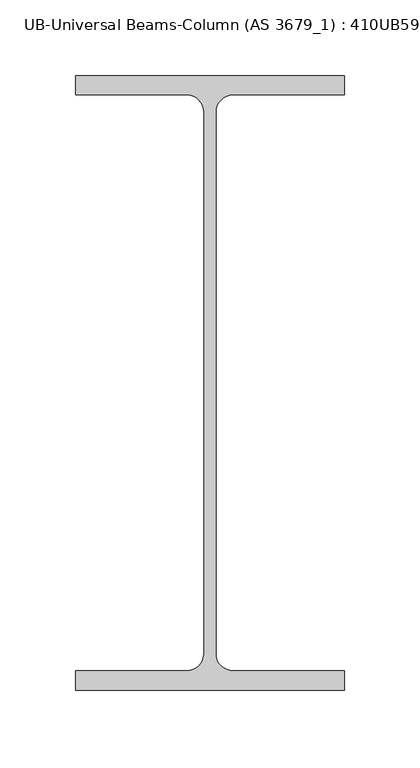
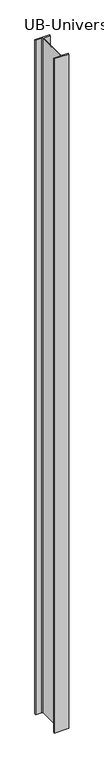
"""IFC4 building model written with IfcOpenShell, lengths in millimetres: column geometry, UB-Universal Beams-Column (AS 3679_1) : 410UB59.7."""

from ifc_helpers import new_model, si_unit, point, frame, frame_2d, origin, place, context, project, spatial, polyline, circle_curve, trimmed, segment, composite_curve, outline, extrude, source, transform, mapped, element, save


def ub_universal_beams_column_as_3679_1_410ub59_7_071ee181(model_context):
    return source(origin(), model_context, "Body", "SweptSolid", [
        extrude(outline(composite_curve([segment(polyline([(89.0, 203.2), (89.0, 190.4), (15.3, 190.4)]), True, "CONTINUOUS"), segment(trimmed(circle_curve(frame_2d((15.3, 179.0)), 11.4), [point((15.3, 190.4))], [point((3.9, 179.0))], True, "CARTESIAN"), True, "CONTINUOUS"), segment(polyline([(3.9, 179.0), (3.9, -179.0)]), True, "CONTINUOUS"), segment(trimmed(circle_curve(frame_2d((15.3, -179.0)), 11.4), [point((3.9, -179.0))], [point((15.3, -190.4))], True, "CARTESIAN"), True, "CONTINUOUS"), segment(polyline([(15.3, -190.4), (89.0, -190.4), (89.0, -203.2), (-89.0, -203.2), (-89.0, -190.4), (-15.3, -190.4)]), True, "CONTINUOUS"), segment(trimmed(circle_curve(frame_2d((-15.3, -179.0)), 11.4), [point((-15.3, -190.4))], [point((-3.9, -179.0))], True, "CARTESIAN"), True, "CONTINUOUS"), segment(polyline([(-3.9, -179.0), (-3.9, 179.0)]), True, "CONTINUOUS"), segment(trimmed(circle_curve(frame_2d((-15.3, 179.0)), 11.4), [point((-3.9, 179.0))], [point((-15.3, 190.4))], True, "CARTESIAN"), True, "CONTINUOUS"), segment(polyline([(-15.3, 190.4), (-89.0, 190.4), (-89.0, 203.2), (89.0, 203.2)]), True, "CONTINUOUS")], self_intersect=False)), frame((0.0, 0.0, -230.0), z_axis=(0.0, 0.0, 1.0), x_axis=(1.0, 0.0, 0.0)), (0.0, 0.0, 1.0), 8669.0),
    ])


if __name__ == "__main__":
    model = new_model("IFC4")
    model_context = context("Model", 3, world=origin())
    ifc_project = project(units=[si_unit("LENGTHUNIT", "METRE", prefix="MILLI")], contexts=[model_context])
    site = spatial("IfcSite", under=ifc_project)
    building = spatial("IfcBuilding", under=site)
    placement = place(None, origin())
    ub_universal_beams_column_as_3679_1_410ub59_7_shape = ub_universal_beams_column_as_3679_1_410ub59_7_071ee181(model_context)
    element("IfcColumn", 1, ObjectType="UB-Universal Beams-Column (AS 3679_1) : 410UB59.7", at=placement, inside=building, context=model_context, shape_type="MappedRepresentation", body=[
        mapped(ub_universal_beams_column_as_3679_1_410ub59_7_shape, transform((0.0, 0.0, 0.0), x_axis=(1.0, 0.0, 0.0), y_axis=(0.0, 1.0, 0.0), z_axis=(0.0, 0.0, 1.0))),
    ])
    save(model, "model.ifc")
